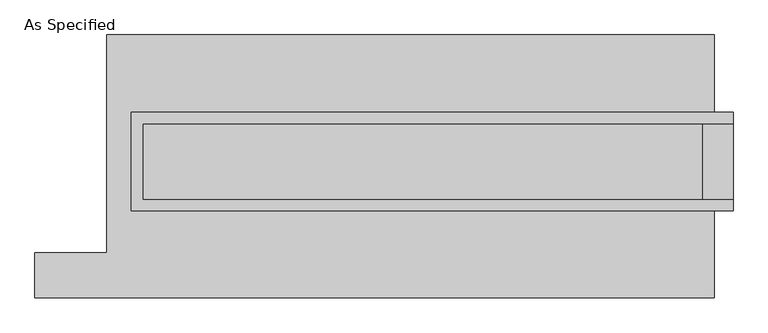
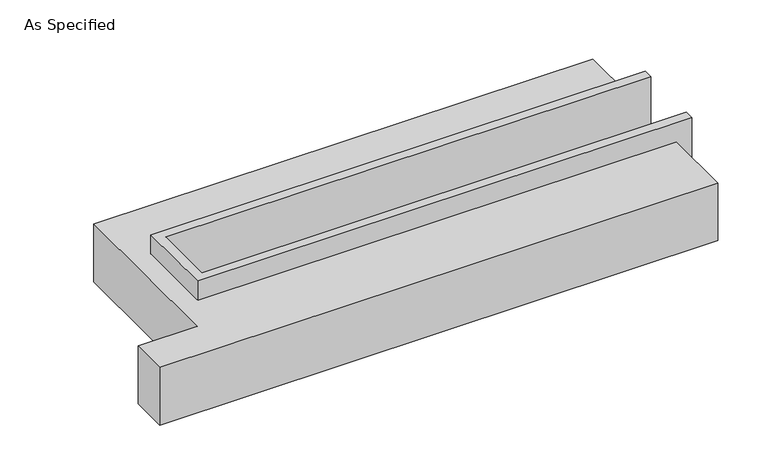
"""IFC4 building model written with IfcOpenShell, lengths in millimetres: proxy geometry, As Specified."""

import ifcopenshell
import ifcopenshell.guid

model = None  # the IFC model being written
_history = None  # IfcOwnerHistory: only IFC2X3 demands one
_inside = {}  # id of a spatial element -> (the spatial element, [elements in it])
_under = {}  # id of a project, library or spatial element -> (it, [spatial elements below it])
_declared = {}  # id of a project -> (the project, [libraries it declares])
_typed = {}  # id of a type object -> (the type object, [elements of that type])
_made_of = {}  # id of a material, layer set ... -> (it, [elements and type objects made of it])


def new_model(schema):
    """Start an empty IFC model of exactly this schema.

    Asked for "IFC4X3", IfcOpenShell would pick the latest addendum, in which some entities
    have other attributes; the version numbers below select the first issue.
    IFC2X3 requires an IfcOwnerHistory on every rooted entity: one is made here for all.
    """
    global model, _history
    if schema == "IFC4X3":
        model = ifcopenshell.file(schema_version=(4, 3, 0, 0))
    else:
        model = ifcopenshell.file(schema=schema)
    _inside.clear()
    _under.clear()
    _declared.clear()
    _typed.clear()
    _made_of.clear()
    _history = None
    if model.schema == "IFC2X3":
        org = make("IfcOrganization", Name="unknown")
        user = make(
            "IfcPersonAndOrganization",
            ThePerson=make("IfcPerson", FamilyName="unknown"),
            TheOrganization=org,
        )
        app = make(
            "IfcApplication",
            ApplicationDeveloper=org,
            Version="unknown",
            ApplicationFullName="unknown",
            ApplicationIdentifier="unknown",
        )
        _history = make(
            "IfcOwnerHistory",
            OwningUser=user,
            OwningApplication=app,
            ChangeAction="ADDED",
            CreationDate=0,
        )
    return model


def make(cls, **values):
    """One entity of the class cls with the attributes given. An attribute that is None is left unset."""
    return model.create_entity(
        cls, **{name: value for name, value in values.items() if value is not None}
    )


def rooted(cls, **values):
    """An entity with a GlobalId (a new one), such as an element, a storey or a relation."""
    return make(cls, GlobalId=ifcopenshell.guid.new(), OwnerHistory=_history, **values)


def si_unit(unit_type, name, prefix=None):
    """IfcSIUnit, for example si_unit("LENGTHUNIT", "METRE", prefix="MILLI")."""
    return make("IfcSIUnit", UnitType=unit_type, Prefix=prefix, Name=name)


def assignment(units):
    """IfcUnitAssignment: the units of a project."""
    return None if units is None else make("IfcUnitAssignment", Units=units)


def point(xyz):
    """IfcCartesianPoint."""
    return None if xyz is None else make("IfcCartesianPoint", Coordinates=xyz)


def direction(xyz):
    """IfcDirection."""
    return None if xyz is None else make("IfcDirection", DirectionRatios=xyz)


def frame(location, z_axis=None, x_axis=None):
    """IfcAxis2Placement3D, a coordinate frame: its origin and axes. An axis left out is left unset."""
    return make(
        "IfcAxis2Placement3D",
        Location=point(location),
        Axis=direction(z_axis),
        RefDirection=direction(x_axis),
    )


def origin():
    """The frame at (0, 0, 0) with its axes left unset."""
    return frame((0.0, 0.0, 0.0))


def place(relative_to, where):
    """IfcLocalPlacement: puts the frame where relative to a parent placement (None: the world)."""
    return make(
        "IfcLocalPlacement", PlacementRelTo=relative_to, RelativePlacement=where
    )


def context(
    kind, dimensions, precision=None, world=None, true_north=None, identifier=None
):
    """IfcGeometricRepresentationContext, for example the 3D "Model" context."""
    return make(
        "IfcGeometricRepresentationContext",
        ContextIdentifier=identifier,
        ContextType=kind,
        CoordinateSpaceDimension=dimensions,
        Precision=precision,
        WorldCoordinateSystem=world,
        TrueNorth=true_north,
    )


def project(units=None, contexts=None):
    """IfcProject with its units and contexts."""
    return rooted(
        "IfcProject",
        Name="project",
        RepresentationContexts=contexts,
        UnitsInContext=assignment(units),
    )


def spatial(cls, under=None, at=None, **own):
    """A site, building, storey or space (cls), placed at a placement, below another one or the project."""
    s = rooted(cls, ObjectPlacement=at, **own)
    if under is not None:
        _under.setdefault(under.id(), (under, []))[1].append(s)
    return s


def faces_of(points, faces, orient=None, outer=None):
    """IfcFace entities. A face is a list of loops; a loop is a list of indices into points, from 0.

    orient and outer hold one flag for each loop. By default every Orientation is true, the
    first loop of a face is its IfcFaceOuterBound and the others are IfcFaceBound.
    """
    made = []
    for i, loops in enumerate(faces):
        bounds = []
        for j, loop in enumerate(loops):
            is_outer = j == 0 if outer is None else outer[i][j]
            bounds.append(
                make(
                    "IfcFaceOuterBound" if is_outer else "IfcFaceBound",
                    Bound=make("IfcPolyLoop", Polygon=[points[k] for k in loop]),
                    Orientation=True if orient is None else orient[i][j],
                )
            )
        made.append(make("IfcFace", Bounds=bounds))
    return made


def faceted_brep(points, faces, orient=None, outer=None, voids=None):
    """IfcFacetedBrep: a solid bounded by flat faces; with voids (closed shells), ...WithVoids."""
    shared = [point(p) for p in points]
    hull = make("IfcClosedShell", CfsFaces=faces_of(shared, faces, orient, outer))
    if voids is None:
        return make("IfcFacetedBrep", Outer=hull)
    return make(
        "IfcFacetedBrepWithVoids",
        Outer=hull,
        Voids=[
            make(cls, CfsFaces=faces_of(shared, fs, o, b)) for cls, fs, o, b in voids
        ],
    )


def shape(context_of_items, identifier, shape_type, items):
    """IfcShapeRepresentation: the items that make up one representation, for example the "Body"."""
    return make(
        "IfcShapeRepresentation",
        ContextOfItems=context_of_items,
        RepresentationIdentifier=identifier,
        RepresentationType=shape_type,
        Items=items,
    )


def source(mapping_origin, context_of_items, identifier, shape_type, items):
    """IfcRepresentationMap: a shape defined once, which mapped items show again and again."""
    return make(
        "IfcRepresentationMap",
        MappingOrigin=mapping_origin,
        MappedRepresentation=shape(context_of_items, identifier, shape_type, items),
    )


def transform(
    local_origin,
    x_axis=None,
    y_axis=None,
    z_axis=None,
    scale=None,
    scale2=None,
    scale3=None,
    uniform=True,
):
    """IfcCartesianTransformationOperator3D, or its non-uniform kind. x_axis, y_axis, z_axis: its Axis1, 2, 3."""
    if uniform:
        return make(
            "IfcCartesianTransformationOperator3D",
            Axis1=direction(x_axis),
            Axis2=direction(y_axis),
            LocalOrigin=point(local_origin),
            Scale=scale,
            Axis3=direction(z_axis),
        )
    return make(
        "IfcCartesianTransformationOperator3DnonUniform",
        Axis1=direction(x_axis),
        Axis2=direction(y_axis),
        LocalOrigin=point(local_origin),
        Scale=scale,
        Axis3=direction(z_axis),
        Scale2=scale2,
        Scale3=scale3,
    )


def mapped(mapping_source, mapping_target):
    """IfcMappedItem: shows the shape of a source again, moved by a transform."""
    return make(
        "IfcMappedItem", MappingSource=mapping_source, MappingTarget=mapping_target
    )


def made_of(thing, what):
    """Note that an element or type object is made of a material, layer set ...; save() writes the relation."""
    if what is not None:
        _made_of.setdefault(what.id(), (what, []))[1].append(thing)
    return thing


def element(
    cls,
    number,
    at=None,
    inside=None,
    cuts=None,
    type_object=None,
    material=None,
    context=None,
    identifier="Body",
    shape_type=None,
    held_by="IfcProductDefinitionShape",
    body=None,
    shapes=None,
    **own,
):
    """One element of the class cls, such as IfcWall. Its Tag is "e" and its number.

    at: its placement. inside: the storey or other place that contains it. cuts: it is an
    opening in that element (IfcRelVoidsElement). A single representation is given by context,
    identifier, shape_type and body (its items); several are given by shapes. held_by: the class
    of the entity that holds the representations. save() writes the other relations.
    """
    e = rooted(cls, Tag="e%d" % number, ObjectPlacement=at, **own)
    if body is not None:
        shapes = [shape(context, identifier, shape_type, body)]
    if shapes is not None:
        e.Representation = make(held_by, Representations=shapes)
    if inside is not None:
        _inside.setdefault(inside.id(), (inside, []))[1].append(e)
    if cuts is not None:
        rooted(
            "IfcRelVoidsElement", RelatingBuildingElement=cuts, RelatedOpeningElement=e
        )
    if type_object is not None:
        _typed.setdefault(type_object.id(), (type_object, []))[1].append(e)
    return made_of(e, material)


def aggregate(whole, parts):
    """IfcRelAggregates: a whole, such as a stair, and the parts it consists of."""
    return rooted("IfcRelAggregates", RelatingObject=whole, RelatedObjects=parts)


def save(model, path):
    """Write the relations noted so far, then the file.

    IfcRelAggregates (storeys below a building ...), IfcRelContainedInSpatialStructure (elements
    in a storey), IfcRelDefinesByType, IfcRelAssociatesMaterial and IfcRelDeclares: one each for
    every whole, place, type object, material and project.
    """
    for whole, parts in _under.values():
        aggregate(whole, parts)
    for where, things in _inside.values():
        rooted(
            "IfcRelContainedInSpatialStructure",
            RelatedElements=things,
            RelatingStructure=where,
        )
    for kind, things in _typed.values():
        rooted("IfcRelDefinesByType", RelatedObjects=things, RelatingType=kind)
    for what, things in _made_of.values():
        rooted("IfcRelAssociatesMaterial", RelatedObjects=things, RelatingMaterial=what)
    for by, libraries in _declared.values():
        rooted("IfcRelDeclares", RelatingContext=by, RelatedDefinitions=libraries)
    model.write(path)


def as_specified_f1b1ff32(model_context):
    return source(origin(), model_context, "Body", "Brep", [
        faceted_brep([(-1873.25, 361.95, 139.7), (-1873.25, 361.95, -393.7), (-1873.25, 285.75, -393.7), (-1873.25, 285.75, -25.4), (-1873.25, -222.25, -25.4), (-1873.25, -222.25, -393.7), (-1873.25, -298.45, -393.7), (-1873.25, -298.45, 139.7), (2165.35, 285.75, 139.7), (2165.35, 285.75, -317.5), (2165.35, -222.25, -317.5), (2165.35, -222.25, 139.7), (2165.35, -298.45, 139.7), (2165.35, -298.45, -393.7), (2165.35, 361.95, -393.7), (2165.35, 361.95, 139.7), (-1797.05, -222.25, 139.7), (-1797.05, 285.75, 139.7), (1962.15, -222.25, -393.7), (1962.15, 285.75, -393.7), (1962.15, -222.25, -317.5), (-1797.05, -222.25, -25.4), (1962.15, 285.75, -317.5), (-1797.05, 285.75, -25.4)], [[[0, 1, 2, 3, 4, 5, 6, 7]], [[8, 9, 10, 11, 12, 13, 14, 15]], [[0, 7, 12, 11, 16, 17, 8, 15]], [[1, 0, 15, 14]], [[14, 13, 6, 5, 18, 19, 2, 1]], [[7, 6, 13, 12]], [[11, 10, 20, 18, 5, 4, 21, 16]], [[10, 9, 22, 20]], [[9, 8, 17, 23, 3, 2, 19, 22]], [[18, 20, 22, 19]], [[23, 21, 4, 3]], [[17, 16, 21, 23]]]),
        faceted_brep([(-2038.35, 882.65, -523.9742188), (2038.35, 882.65, -523.9742188), (2038.35, -882.65, -523.9742188), (-2520.95, -882.65, -523.9742188), (-2520.95, -577.85, -523.9742188), (-2038.35, -577.85, -523.9742188), (2038.35, 882.65, -25.4), (-2038.35, 882.65, -25.4), (-2038.35, -577.85, -25.4), (-2520.95, -577.85, -25.4), (-2520.95, -882.65, -25.4), (2038.35, -882.65, -25.4), (2038.35, -298.45, -25.4), (-1873.25, -298.45, -25.4), (-1873.25, 361.95, -25.4), (2038.35, 361.95, -25.4), (2038.35, 361.95, -393.7), (2038.35, -298.45, -393.7), (-1873.25, -298.45, -393.7), (-1873.25, 361.95, -393.7)], [[[0, 1, 2, 3, 4, 5]], [[6, 7, 8, 9, 10, 11, 12, 13, 14, 15]], [[1, 0, 7, 6]], [[7, 0, 5, 8]], [[1, 6, 15, 16, 17, 12, 11, 2]], [[3, 2, 11, 10]], [[18, 19, 14, 13]], [[14, 19, 16, 15]], [[19, 18, 17, 16]], [[18, 13, 12, 17]], [[5, 4, 9, 8]], [[4, 3, 10, 9]]]),
    ])


if __name__ == "__main__":
    model = new_model("IFC4")
    model_context = context("Model", 3, world=origin())
    ifc_project = project(units=[si_unit("LENGTHUNIT", "METRE", prefix="MILLI")], contexts=[model_context])
    site = spatial("IfcSite", under=ifc_project)
    building = spatial("IfcBuilding", under=site)
    placement = place(None, origin())
    as_specified_shape = as_specified_f1b1ff32(model_context)
    element("IfcBuildingElementProxy", 1, Name="As Specified", ObjectType="As Specified", at=placement, inside=building, context=model_context, shape_type="MappedRepresentation", body=[
        mapped(as_specified_shape, transform((0.0, 0.0, 0.0), x_axis=(1.0, 0.0, 0.0), y_axis=(0.0, 1.0, 0.0), z_axis=(0.0, 0.0, 1.0))),
    ])
    save(model, "model.ifc")
